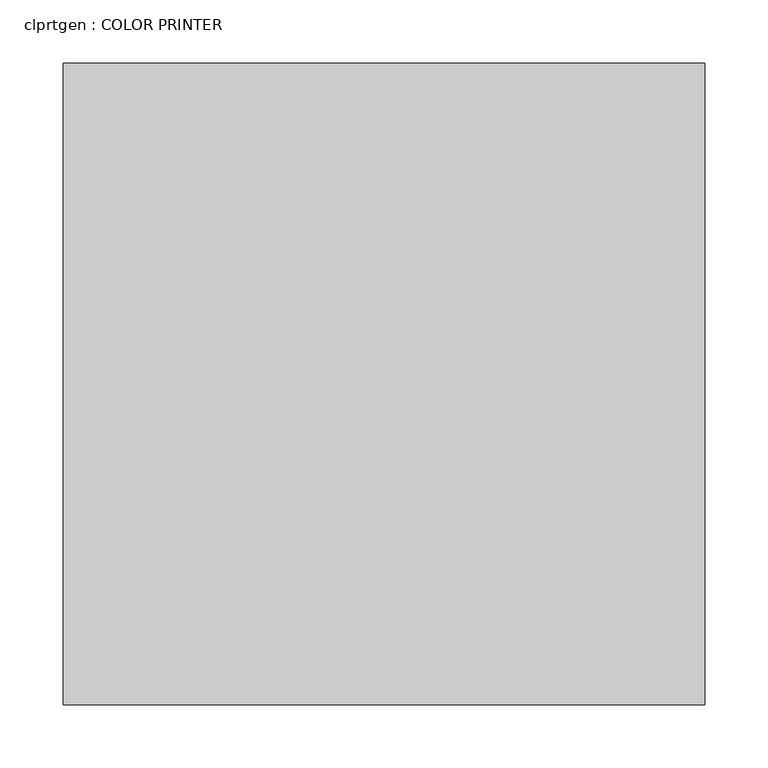
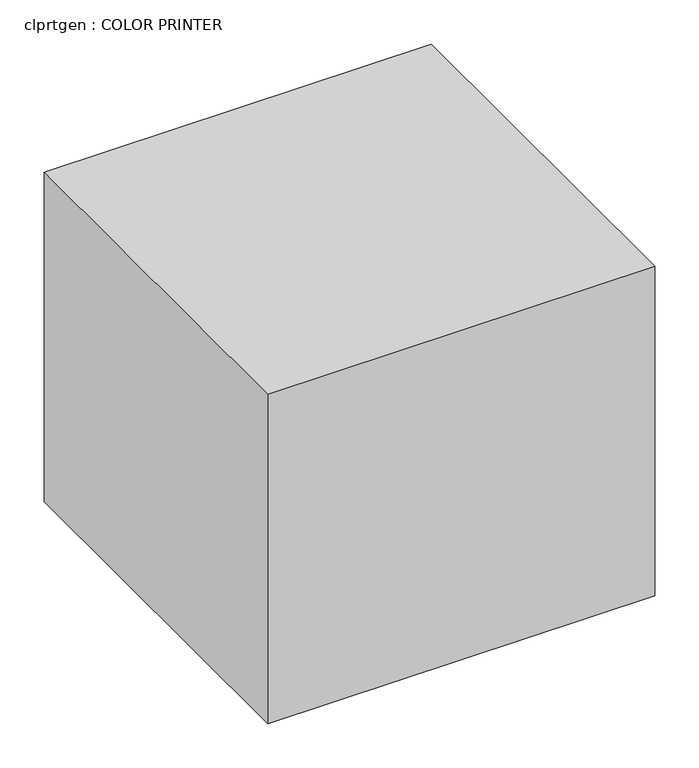
"""IFC4 building model written with IfcOpenShell, lengths in millimetres: proxy geometry, clprtgen : COLOR PRINTER."""

from ifc_helpers import new_model, si_unit, origin, origin_with_axes, place, context, project, spatial, polyline, outline, extrude, source, transform, mapped, element, save


def clprtgen_color_printer_456abd4d(model_context):
    return source(origin(), model_context, "Body", "SweptSolid", [
        extrude(outline(polyline([(-74.6306378, -518.2970561), (-74.6306378, -10.2970561), (433.3693622, -10.2970561), (433.3693622, -518.2970561), (-74.6306378, -518.2970561)])), origin_with_axes(), (0.0, 0.0, 1.0), 457.2),
    ])


if __name__ == "__main__":
    model = new_model("IFC4")
    model_context = context("Model", 3, world=origin())
    ifc_project = project(units=[si_unit("LENGTHUNIT", "METRE", prefix="MILLI")], contexts=[model_context])
    site = spatial("IfcSite", under=ifc_project)
    building = spatial("IfcBuilding", under=site)
    placement = place(None, origin())
    clprtgen_color_printer_shape = clprtgen_color_printer_456abd4d(model_context)
    element("IfcBuildingElementProxy", 1, Name="clprtgen : COLOR PRINTER", ObjectType="clprtgen : COLOR PRINTER", at=placement, inside=building, context=model_context, shape_type="MappedRepresentation", body=[
        mapped(clprtgen_color_printer_shape, transform((0.0, 0.0, 0.0), x_axis=(1.0, 0.0, 0.0), y_axis=(0.0, 1.0, 0.0), z_axis=(0.0, 0.0, 1.0))),
    ])
    save(model, "model.ifc")
